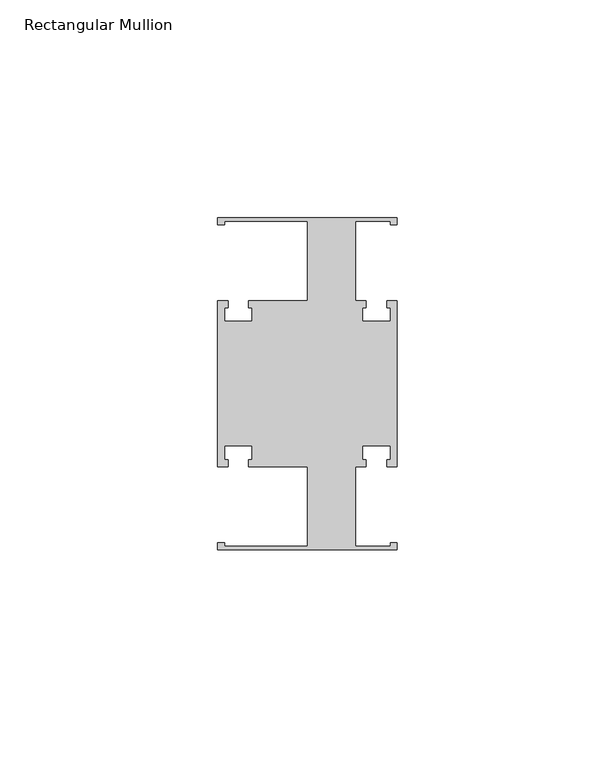
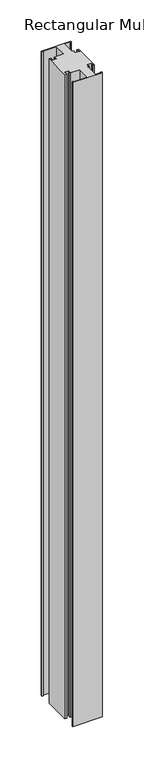
"""IFC4 building model written with IfcOpenShell, lengths in millimetres: member geometry, Rectangular Mullion."""

from ifc_helpers import new_model, si_unit, frame, origin, place, context, project, spatial, polyline, outline, extrude, source, transform, mapped, element, save


def rectangular_mullion_95ae8cd2(model_context):
    return source(origin(), model_context, "Body", "SweptSolid", [
        extrude(outline(polyline([(20.6375, -38.1), (-20.6375, -38.1), (-20.6375, -36.5125), (-19.05, -36.5125), (-19.05, -37.30625), (0.0, -37.30625), (0.0, -19.05), (-13.49375, -19.05), (-13.49375, -17.4625), (-12.7, -17.4625), (-12.7, -14.2875), (-19.05, -14.2875), (-19.05, -17.4625), (-18.25625, -17.4625), (-18.25625, -19.05), (-20.6375, -19.05), (-20.6375, 19.05), (-18.25625, 19.05), (-18.25625, 17.4625), (-19.05, 17.4625), (-19.05, 14.2875), (-12.7, 14.2875), (-12.7, 17.4625), (-13.49375, 17.4625), (-13.49375, 19.05), (0.0, 19.05), (0.0, 37.30625), (-19.05, 37.30625), (-19.05, 36.5125), (-20.6375, 36.5125), (-20.6375, 38.1), (20.6375, 38.1), (20.6375, 36.5125), (19.05, 36.5125), (19.05, 37.30625), (11.1125, 37.30625), (11.1125, 19.05), (13.49375, 19.05), (13.49375, 17.4625), (12.7, 17.4625), (12.7, 14.2875), (19.05, 14.2875), (19.05, 17.4625), (18.25625, 17.4625), (18.25625, 19.05), (20.6375, 19.05), (20.6375, -19.05), (18.25625, -19.05), (18.25625, -17.4625), (19.05, -17.4625), (19.05, -14.2875), (12.7, -14.2875), (12.7, -17.4625), (13.49375, -17.4625), (13.49375, -19.05), (11.1125, -19.05), (11.1125, -37.30625), (19.05, -37.30625), (19.05, -36.5125), (20.6375, -36.5125), (20.6375, -38.1)])), frame((0.0, 0.0, -952.5), z_axis=(0.0, 0.0, 1.0), x_axis=(1.0, 0.0, 0.0)), (0.0, 0.0, 1.0), 952.5),
    ])


if __name__ == "__main__":
    model = new_model("IFC4")
    model_context = context("Model", 3, world=origin())
    ifc_project = project(units=[si_unit("LENGTHUNIT", "METRE", prefix="MILLI")], contexts=[model_context])
    site = spatial("IfcSite", under=ifc_project)
    building = spatial("IfcBuilding", under=site)
    placement = place(None, origin())
    rectangular_mullion_shape = rectangular_mullion_95ae8cd2(model_context)
    element("IfcMember", 1, ObjectType="Rectangular Mullion", at=placement, inside=building, context=model_context, shape_type="MappedRepresentation", body=[
        mapped(rectangular_mullion_shape, transform((0.0, 0.0, 0.0), x_axis=(1.0, 0.0, 0.0), y_axis=(0.0, 1.0, 0.0), z_axis=(0.0, 0.0, 1.0))),
    ])
    save(model, "model.ifc")
